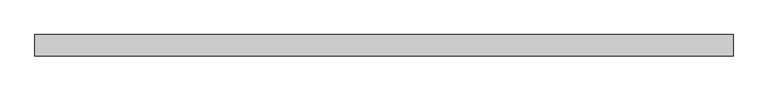
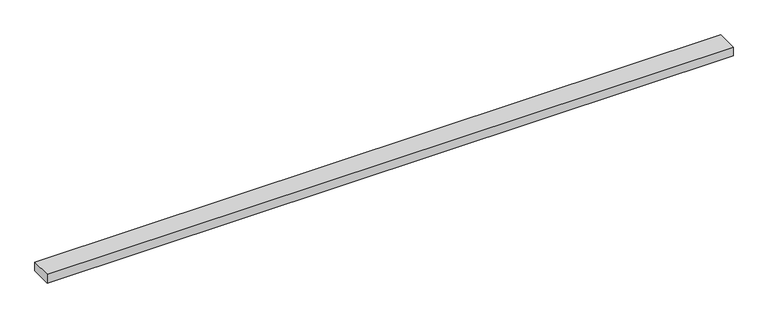
"""IFC4 building model written with IfcOpenShell, lengths in millimetres: beam geometry."""

from ifc_helpers import new_model, si_unit, frame, origin, place, context, project, spatial, polyline, outline, extrude, source, transform, mapped, element, save


def beam_129a9998(model_context):
    return source(origin(), model_context, "Body", "SweptSolid", [
        extrude(outline(polyline([(838.2593361, 25.0), (838.2593361, -25.0), (-783.4018428, -25.0), (-783.4018428, 25.0), (838.2593361, 25.0)])), frame((0.0, 0.0, -11.0), z_axis=(0.0, 0.0, 1.0), x_axis=(1.0, 0.0, 0.0)), (0.0, 0.0, 1.0), 22.0),
    ])


if __name__ == "__main__":
    model = new_model("IFC4")
    model_context = context("Model", 3, world=origin())
    ifc_project = project(units=[si_unit("LENGTHUNIT", "METRE", prefix="MILLI")], contexts=[model_context])
    site = spatial("IfcSite", under=ifc_project)
    building = spatial("IfcBuilding", under=site)
    placement = place(None, origin())
    beam_shape = beam_129a9998(model_context)
    element("IfcBeam", 1, at=placement, inside=building, context=model_context, shape_type="MappedRepresentation", body=[
        mapped(beam_shape, transform((0.0, 0.0, 0.0), x_axis=(1.0, 0.0, 0.0), y_axis=(0.0, 1.0, 0.0), z_axis=(0.0, 0.0, 1.0))),
    ])
    save(model, "model.ifc")
